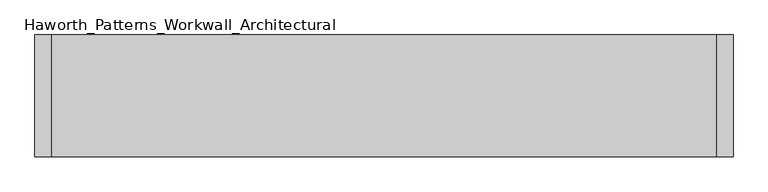
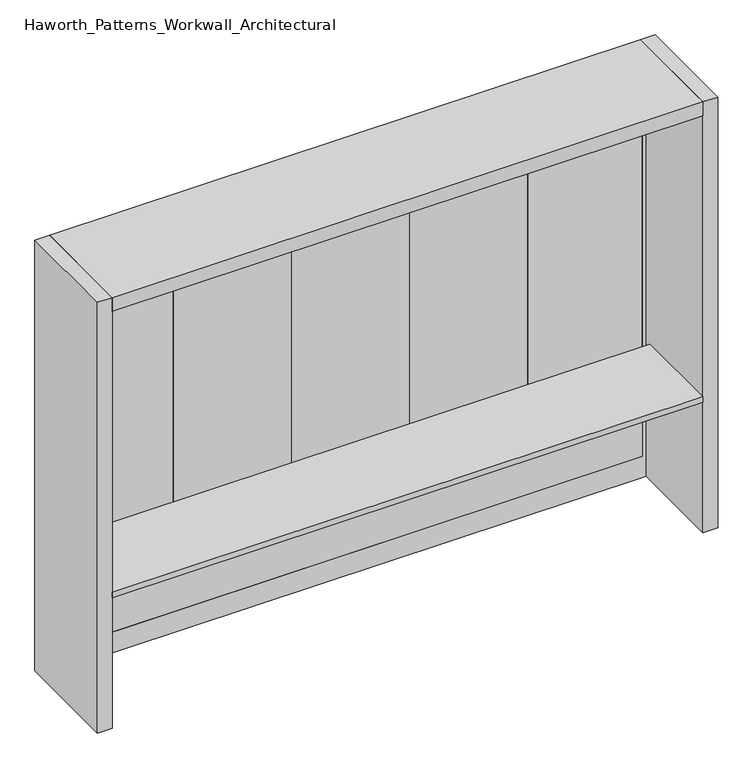
"""IFC4 building model written with IfcOpenShell, lengths in millimetres: furniture geometry, Haworth_Patterns_Workwall_Architectural."""

from ifc_helpers import new_model, si_unit, frame, origin, origin_with_axes, place, context, project, spatial, polyline, outline, extrude, source, transform, mapped, element, save


def haworth_patterns_workwall_architectural_79bdc90d(model_context):
    return source(origin(), model_context, "Body", "SweptSolid", [
        extrude(outline(polyline([(-914.4, 333.375), (-1524.0, 333.375), (-1524.0, 352.425), (-914.4, 352.425), (-914.4, 333.375)])), frame((0.0, 0.0, 635.0), z_axis=(0.0, 0.0, 1.0), x_axis=(1.0, 0.0, 0.0)), (0.0, 0.0, 1.0), 1638.3),
        extrude(outline(polyline([(-304.8, 333.375), (-914.4, 333.375), (-914.4, 352.425), (-304.8, 352.425), (-304.8, 333.375)])), frame((0.0, 0.0, 635.0), z_axis=(0.0, 0.0, 1.0), x_axis=(1.0, 0.0, 0.0)), (0.0, 0.0, 1.0), 1638.3),
        extrude(outline(polyline([(304.8, 333.375), (-304.8, 333.375), (-304.8, 352.425), (304.8, 352.425), (304.8, 333.375)])), frame((0.0, 0.0, 635.0), z_axis=(0.0, 0.0, 1.0), x_axis=(1.0, 0.0, 0.0)), (0.0, 0.0, 1.0), 1638.3),
        extrude(outline(polyline([(-1524.0, 333.375), (-2133.6, 333.375), (-2133.6, 352.425), (-1524.0, 352.425), (-1524.0, 333.375)])), frame((0.0, 0.0, 635.0), z_axis=(0.0, 0.0, 1.0), x_axis=(1.0, 0.0, 0.0)), (0.0, 0.0, 1.0), 1638.3),
        extrude(outline(polyline([(914.4, 333.375), (304.8, 333.375), (304.8, 352.425), (914.4, 352.425), (914.4, 333.375)])), frame((0.0, 0.0, 635.0), z_axis=(0.0, 0.0, 1.0), x_axis=(1.0, 0.0, 0.0)), (0.0, 0.0, 1.0), 1638.3),
        extrude(outline(polyline([(2273.3, 914.4), (2273.3, -2133.6), (635.0, -2133.6), (635.0, 914.4), (2273.3, 914.4)]), holes=[polyline([(2254.25, 895.35), (654.05, 895.35), (654.05, -2114.55), (2254.25, -2114.55), (2254.25, 895.35)])]), frame((0.0, 330.2, 0.0), z_axis=(0.0, 1.0, 0.0), x_axis=(0.0, 0.0, 1.0)), (0.0, 0.0, 1.0), 25.4),
        extrude(outline(polyline([(895.35, 330.2), (-2114.55, 330.2), (-2114.55, 355.6), (895.35, 355.6), (895.35, 330.2)])), frame((0.0, 0.0, 114.3), z_axis=(0.0, 0.0, 1.0), x_axis=(1.0, 0.0, 0.0)), (0.0, 0.0, 1.0), 495.3),
        extrude(outline(polyline([(-2133.6, 295.275), (914.4, 295.275), (914.4, -177.8), (-2133.6, -177.8), (-2133.6, 295.275)])), frame((0.0, 0.0, 711.2), z_axis=(0.0, 0.0, 1.0), x_axis=(1.0, 0.0, 0.0)), (0.0, 0.0, 1.0), 30.1625),
        extrude(outline(polyline([(635.0, 914.4), (635.0, -2133.6), (0.0, -2133.6), (0.0, 914.4), (635.0, 914.4)]), holes=[polyline([(609.6, 895.35), (114.3, 895.35), (114.3, -2114.55), (609.6, -2114.55), (609.6, 895.35)])]), frame((0.0, 330.2, 0.0), z_axis=(0.0, 1.0, 0.0), x_axis=(0.0, 0.0, 1.0)), (0.0, 0.0, 1.0), 25.4),
        extrude(outline(polyline([(914.4, -177.8), (-2133.6, -177.8), (-2133.6, 381.0), (914.4, 381.0), (914.4, -177.8)])), frame((0.0, 0.0, 2273.3), z_axis=(0.0, 0.0, 1.0), x_axis=(1.0, 0.0, 0.0)), (0.0, 0.0, 1.0), 76.2),
        extrude(outline(polyline([(990.6, 381.0), (990.6, -177.8), (914.4, -177.8), (914.4, 381.0), (990.6, 381.0)])), origin_with_axes(), (0.0, 0.0, 1.0), 2349.5),
        extrude(outline(polyline([(-2133.6, 381.0), (-2133.6, -177.8), (-2209.8, -177.8), (-2209.8, 381.0), (-2133.6, 381.0)])), origin_with_axes(), (0.0, 0.0, 1.0), 2349.5),
    ])


if __name__ == "__main__":
    model = new_model("IFC4")
    model_context = context("Model", 3, world=origin())
    ifc_project = project(units=[si_unit("LENGTHUNIT", "METRE", prefix="MILLI")], contexts=[model_context])
    site = spatial("IfcSite", under=ifc_project)
    building = spatial("IfcBuilding", under=site)
    placement = place(None, origin())
    haworth_patterns_workwall_architectural_shape = haworth_patterns_workwall_architectural_79bdc90d(model_context)
    element("IfcFurniture", 1, ObjectType="Haworth_Patterns_Workwall_Architectural", at=placement, inside=building, context=model_context, shape_type="MappedRepresentation", body=[
        mapped(haworth_patterns_workwall_architectural_shape, transform((0.0, 0.0, 0.0), x_axis=(1.0, 0.0, 0.0), y_axis=(0.0, 1.0, 0.0), z_axis=(0.0, 0.0, 1.0))),
    ])
    save(model, "model.ifc")
